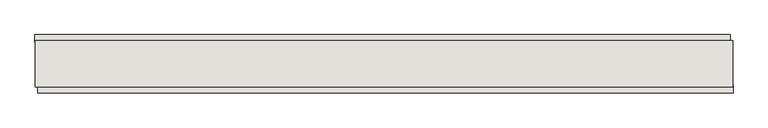
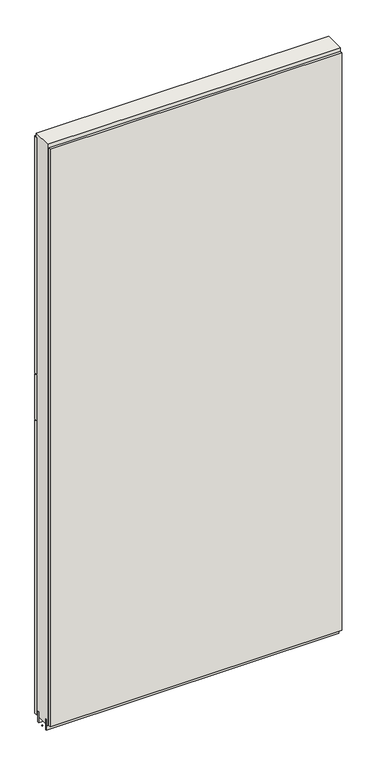
"""IFC4 building model written with IfcOpenShell, lengths in millimetres: wall geometry."""

from ifc_helpers import new_model, si_unit, frame, origin, place, context, project, spatial, polyline, outline, extrude, source, transform, mapped, element, save


def wall_760e865e(model_context):
    return source(origin(), model_context, "Body", "SweptSolid", [
        extrude(outline(polyline([(79258.255504, -45576.2245954), (79255.715504, -45576.2245954), (79255.715504, -45573.6845954), (79258.255504, -45573.6845954), (79258.255504, -45576.2245954)])), frame((0.0, 0.0, 4419.6), z_axis=(0.0, 0.0, 1.0), x_axis=(1.0, 0.0, 0.0)), (0.0, 0.0, 1.0), 2.54),
        extrude(outline(polyline([(79255.2461882, -45524.1545954), (80470.4461962, -45524.1545954), (80470.4461962, -45536.8545954), (79255.2461882, -45536.8545954), (79255.2461882, -45524.1545954)])), frame((0.0, 0.0, 5945.599869), z_axis=(0.0, 0.0, 1.0), x_axis=(1.0, 0.0, 0.0)), (0.0, 0.0, 1.0), 1044.449905),
        extrude(outline(polyline([(79255.2461882, -45524.1545954), (80470.4461962, -45524.1545954), (80470.4461962, -45536.8545954), (79255.2461882, -45536.8545954), (79255.2461882, -45524.1545954)])), frame((0.0, 0.0, 5742.3999706), z_axis=(0.0, 0.0, 1.0), x_axis=(1.0, 0.0, 0.0)), (0.0, 0.0, 1.0), 199.2000512),
        extrude(outline(polyline([(79255.2461882, -45524.1545954), (80470.4461962, -45524.1545954), (80470.4461962, -45536.8545954), (79255.2461882, -45536.8545954), (79255.2461882, -45524.1545954)])), frame((0.0, 0.0, 4445.0), z_axis=(0.0, 0.0, 1.0), x_axis=(1.0, 0.0, 0.0)), (0.0, 0.0, 1.0), 1293.400004),
        extrude(outline(polyline([(80475.3823306, -45625.7545954), (79260.1823226, -45625.7545954), (79260.1823226, -45613.0545954), (80475.3823306, -45613.0545954), (80475.3823306, -45625.7545954)])), frame((0.0, 0.0, 4445.0), z_axis=(0.0, 0.0, 1.0), x_axis=(1.0, 0.0, 0.0)), (0.0, 0.0, 1.0), 2545.0498756),
        extrude(outline(polyline([(80474.920457, -45549.8708508), (79255.720457, -45549.8708508), (79255.720457, -45544.7920954), (80474.920457, -45544.7920954), (80474.920457, -45549.8708508)])), frame((0.0, 0.0, 4418.6602), z_axis=(0.0, 0.0, 1.0), x_axis=(1.0, 0.0, 0.0)), (0.0, 0.0, 1.0), 47.625),
        extrude(outline(polyline([(80474.920457, -45549.8708508), (79255.720457, -45549.8708508), (79255.720457, -45544.7920954), (80474.920457, -45544.7920954), (80474.920457, -45549.8708508)])), frame((0.0, 0.0, 4418.6602), z_axis=(0.0, 0.0, 1.0), x_axis=(1.0, 0.0, 0.0)), (0.0, 0.0, 1.0), 47.625),
        extrude(outline(polyline([(79255.720457, -45600.0352412), (80474.920457, -45600.0352412), (80474.920457, -45605.1170954), (79255.720457, -45605.1170954), (79255.720457, -45600.0352412)])), frame((0.0, 0.0, 4418.6602), z_axis=(0.0, 0.0, 1.0), x_axis=(1.0, 0.0, 0.0)), (0.0, 0.0, 1.0), 47.625),
        extrude(outline(polyline([(79255.720457, -45600.0352412), (80474.920457, -45600.0352412), (80474.920457, -45605.1170954), (79255.720457, -45605.1170954), (79255.720457, -45600.0352412)])), frame((0.0, 0.0, 4418.6602), z_axis=(0.0, 0.0, 1.0), x_axis=(1.0, 0.0, 0.0)), (0.0, 0.0, 1.0), 47.625),
        extrude(outline(polyline([(80474.920457, -45534.3245014), (80474.920457, -45615.606381), (79255.720457, -45615.606381), (79255.720457, -45534.3245014), (80474.920457, -45534.3245014)])), frame((0.0, 0.0, 4445.0), z_axis=(0.0, 0.0, 1.0), x_axis=(1.0, 0.0, 0.0)), (0.0, 0.0, 1.0), 2562.4536762),
    ])


if __name__ == "__main__":
    model = new_model("IFC4")
    model_context = context("Model", 3, world=origin())
    ifc_project = project(units=[si_unit("LENGTHUNIT", "METRE", prefix="MILLI")], contexts=[model_context])
    site = spatial("IfcSite", under=ifc_project)
    building = spatial("IfcBuilding", under=site)
    placement = place(None, origin())
    wall_shape = wall_760e865e(model_context)
    element("IfcWall", 1, at=placement, inside=building, context=model_context, shape_type="MappedRepresentation", body=[
        mapped(wall_shape, transform((0.0, 0.0, 0.0), x_axis=(1.0, 0.0, 0.0), y_axis=(0.0, 1.0, 0.0), z_axis=(0.0, 0.0, 1.0))),
    ])
    save(model, "model.ifc")
